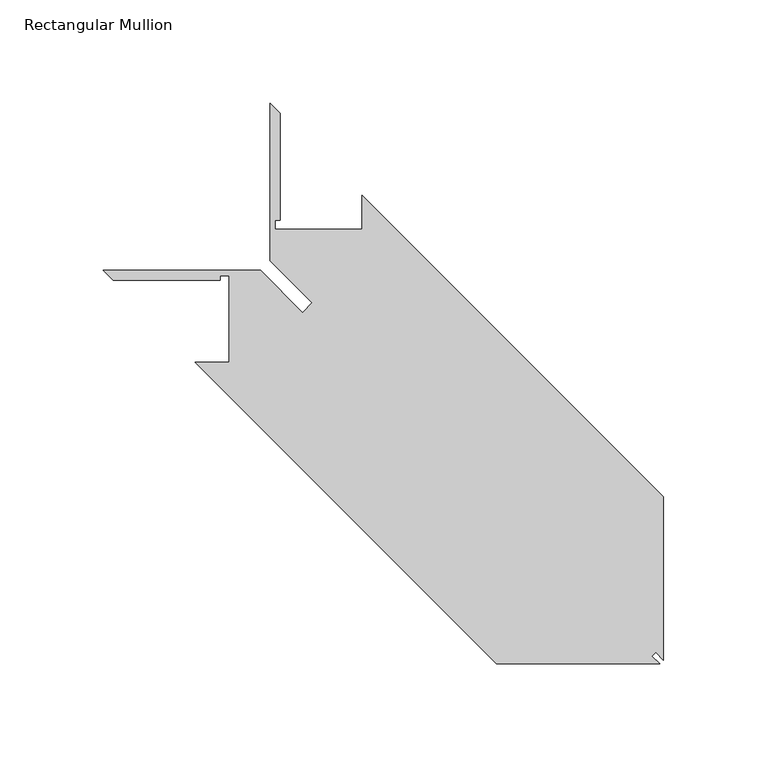
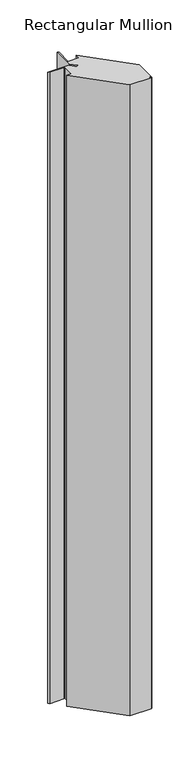
"""IFC4 building model written with IfcOpenShell, lengths in millimetres: member geometry, Rectangular Mullion."""

from ifc_helpers import new_model, si_unit, frame, origin, place, context, project, spatial, polyline, outline, extrude, source, transform, mapped, element, save


def rectangular_mullion_37745e8d(model_context):
    return source(origin(), model_context, "Body", "SweptSolid", [
        extrude(outline(polyline([(109.7007294, -84.3007294), (109.7007294, -163.3201294), (105.9923294, -159.6117294), (104.1894243, -161.4146344), (107.8978243, -165.1230344), (28.8784243, -165.1230344), (-117.1715757, -19.0730344), (-100.6869757, -19.0730344), (-100.6869757, 22.8369275), (-105.0824021, 22.8369275), (-105.0824021, 20.5001275), (-156.7203466, 20.5001275), (-161.5971466, 25.3769275), (-85.4228021, 25.3769275), (-64.9753453, 4.9294706), (-60.3517757, 9.5530402), (-80.7992325, 30.000497), (-80.7992325, 106.1992325), (-75.9224325, 101.3224325), (-75.9224325, 49.660097), (-78.2592325, 49.660097), (-78.2592325, 45.2646706), (-36.3492706, 45.2646706), (-36.3492706, 61.7492706), (109.7007294, -84.3007294)])), frame((0.0, 0.0, -2438.4), z_axis=(0.0, 0.0, 1.0), x_axis=(1.0, 0.0, 0.0)), (0.0, 0.0, 1.0), 2438.4),
    ])


if __name__ == "__main__":
    model = new_model("IFC4")
    model_context = context("Model", 3, world=origin())
    ifc_project = project(units=[si_unit("LENGTHUNIT", "METRE", prefix="MILLI")], contexts=[model_context])
    site = spatial("IfcSite", under=ifc_project)
    building = spatial("IfcBuilding", under=site)
    placement = place(None, origin())
    rectangular_mullion_shape = rectangular_mullion_37745e8d(model_context)
    element("IfcMember", 1, ObjectType="Rectangular Mullion", at=placement, inside=building, context=model_context, shape_type="MappedRepresentation", body=[
        mapped(rectangular_mullion_shape, transform((0.0, 0.0, 0.0), x_axis=(1.0, 0.0, 0.0), y_axis=(0.0, 1.0, 0.0), z_axis=(0.0, 0.0, 1.0))),
    ])
    save(model, "model.ifc")
